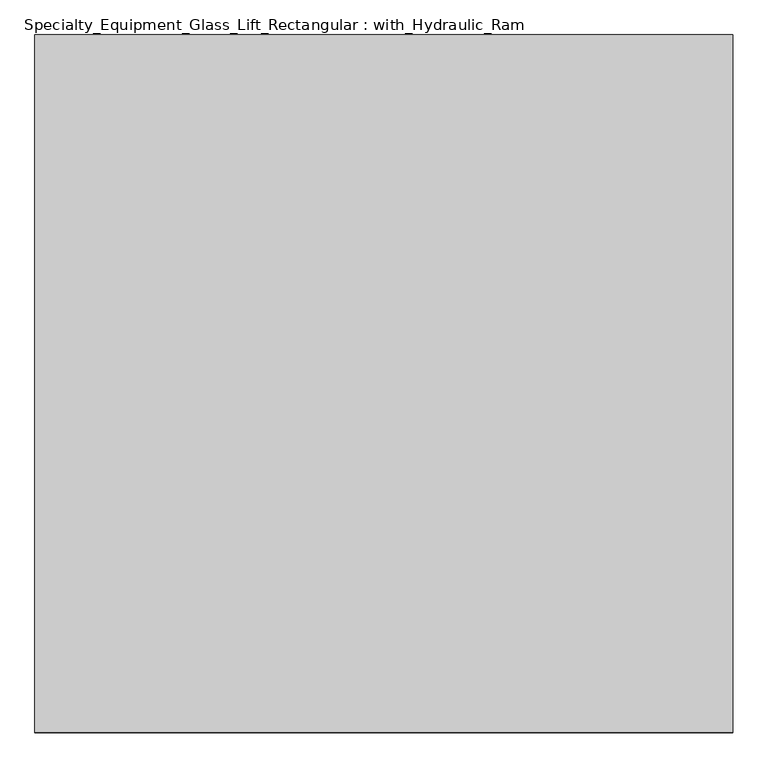
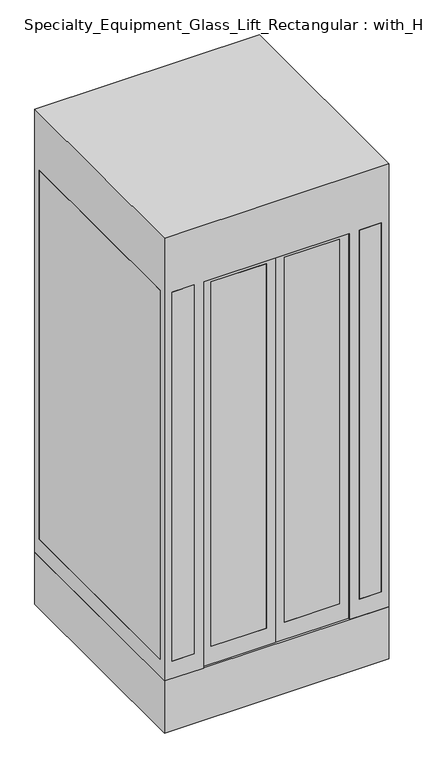
"""IFC4 building model written with IfcOpenShell, lengths in millimetres: proxy geometry, Specialty_Equipment_Glass_Lift_Rectangular : with_Hydraulic_Ram."""

from ifc_helpers import new_model, si_unit, frame, origin, place, context, project, spatial, polyline, outline, extrude, faceted_brep, source, transform, mapped, element, save


def specialty_equipment_glass_lift_rectangular_with_hydraulic_68655c2c(model_context):
    return source(origin(), model_context, "Body", "SolidModel", [
        extrude(outline(polyline([(-15.5141464, -548.0746872), (-315.5141464, -548.0746872), (-315.5141464, -536.0746872), (-15.5141464, -536.0746872), (-15.5141464, -548.0746872)])), frame((0.0, 0.0, 100.0), z_axis=(0.0, 0.0, 1.0), x_axis=(1.0, 0.0, 0.0)), (0.0, 0.0, 1.0), 2100.0),
        extrude(outline(polyline([(384.4858536, -548.0746872), (84.4858536, -548.0746872), (84.4858536, -536.0746872), (384.4858536, -536.0746872), (384.4858536, -548.0746872)])), frame((0.0, 0.0, 100.0), z_axis=(0.0, 0.0, 1.0), x_axis=(1.0, 0.0, 0.0)), (0.0, 0.0, 1.0), 2100.0),
        extrude(outline(polyline([(2300.0, 33.4858536), (2300.0, -365.5141464), (0.0, -365.5141464), (0.0, 33.4858536), (2300.0, 33.4858536)]), holes=[polyline([(2200.0, -15.5141464), (100.0, -15.5141464), (100.0, -315.5141464), (2200.0, -315.5141464), (2200.0, -15.5141464)])]), frame((0.0, -548.0746872, 0.0), z_axis=(0.0, 1.0, 0.0), x_axis=(0.0, 0.0, 1.0)), (0.0, 0.0, 1.0), 12.0),
        extrude(outline(polyline([(0.0, 35.4858536), (0.0, 434.4858536), (2300.0, 434.4858536), (2300.0, 35.4858536), (0.0, 35.4858536)]), holes=[polyline([(2200.0, 384.4858536), (100.0, 384.4858536), (100.0, 84.4858536), (2200.0, 84.4858536), (2200.0, 384.4858536)])]), frame((0.0, -548.0746872, 0.0), z_axis=(0.0, 1.0, 0.0), x_axis=(0.0, 0.0, 1.0)), (0.0, 0.0, 1.0), 12.0),
        extrude(outline(polyline([(-415.5141464, -560.0746872), (-535.5141464, -560.0746872), (-535.5141464, -548.0746872), (-415.5141464, -548.0746872), (-415.5141464, -560.0746872)])), frame((0.0, 0.0, 100.0), z_axis=(0.0, 0.0, 1.0), x_axis=(1.0, 0.0, 0.0)), (0.0, 0.0, 1.0), 2125.0),
        extrude(outline(polyline([(604.4858536, -560.0746872), (484.4858536, -560.0746872), (484.4858536, -548.0746872), (604.4858536, -548.0746872), (604.4858536, -560.0746872)])), frame((0.0, 0.0, 100.0), z_axis=(0.0, 0.0, 1.0), x_axis=(1.0, 0.0, 0.0)), (0.0, 0.0, 1.0), 2125.0),
        extrude(outline(polyline([(-565.5141464, -518.0746872), (-577.5141464, -518.0746872), (-577.5141464, 621.9253128), (-565.5141464, 621.9253128), (-565.5141464, -518.0746872)])), frame((0.0, 0.0, 100.0), z_axis=(0.0, 0.0, 1.0), x_axis=(1.0, 0.0, 0.0)), (0.0, 0.0, 1.0), 2125.0),
        extrude(outline(polyline([(604.4858536, 663.9253128), (604.4858536, 651.9253128), (-535.5141464, 651.9253128), (-535.5141464, 663.9253128), (604.4858536, 663.9253128)])), frame((0.0, 0.0, 100.0), z_axis=(0.0, 0.0, 1.0), x_axis=(1.0, 0.0, 0.0)), (0.0, 0.0, 1.0), 2125.0),
        extrude(outline(polyline([(634.4858536, -518.0746872), (634.4858536, 621.9253128), (646.4858536, 621.9253128), (646.4858536, -518.0746872), (634.4858536, -518.0746872)])), frame((0.0, 0.0, 100.0), z_axis=(0.0, 0.0, 1.0), x_axis=(1.0, 0.0, 0.0)), (0.0, 0.0, 1.0), 2125.0),
        faceted_brep([(634.4858536, 621.9253128, 100.0), (634.4858536, -518.0746872, 100.0), (646.4858536, -518.0746872, 100.0), (646.4858536, 621.9253128, 100.0), (-565.5141464, -518.0746872, 100.0), (-565.5141464, 621.9253128, 100.0), (-577.5141464, 621.9253128, 100.0), (-577.5141464, -518.0746872, 100.0), (-535.5141464, 651.9253128, 100.0), (604.4858536, 651.9253128, 100.0), (604.4858536, 663.9253128, 100.0), (-535.5141464, 663.9253128, 100.0), (604.4858536, -560.0746872, 100.0), (604.4858536, -548.0746872, 100.0), (484.4858536, -548.0746872, 100.0), (484.4858536, -560.0746872, 100.0), (-535.5141464, -548.0746872, 100.0), (-535.5141464, -560.0746872, 100.0), (-415.5141464, -560.0746872, 100.0), (-415.5141464, -548.0746872, 100.0), (434.4858536, -560.0746872, 0.0), (434.4858536, -548.0746872, 0.0), (634.4858536, -548.0746872, 0.0), (634.4858536, 651.9253128, 0.0), (-565.5141464, 651.9253128, 0.0), (-565.5141464, -548.0746872, 0.0), (-365.5141464, -548.0746872, 0.0), (-365.5141464, -560.0746872, 0.0), (-577.5141464, -560.0746872, 0.0), (-577.5141464, 663.9253128, 0.0), (646.4858536, 663.9253128, 0.0), (646.4858536, -560.0746872, 0.0), (634.4858536, 651.9253128, 2300.0), (634.4858536, -548.0746872, 2300.0), (634.4858536, 621.9253128, 2225.0), (634.4858536, -518.0746872, 2225.0), (646.4858536, 663.9253128, 2550.0), (646.4858536, -560.0746872, 2550.0), (646.4858536, -518.0746872, 2225.0), (646.4858536, 621.9253128, 2225.0), (434.4858536, -560.0746872, 2225.0), (434.4858536, -548.0746872, 2225.0), (-577.5141464, -560.0746872, 2550.0), (-365.5141464, -560.0746872, 2225.0), (-535.5141464, -560.0746872, 2225.0), (-415.5141464, -560.0746872, 2225.0), (604.4858536, -560.0746872, 2225.0), (484.4858536, -560.0746872, 2225.0), (-365.5141464, -548.0746872, 2225.0), (-565.5141464, -548.0746872, 2300.0), (-535.5141464, -548.0746872, 2225.0), (-415.5141464, -548.0746872, 2225.0), (604.4858536, -548.0746872, 2225.0), (484.4858536, -548.0746872, 2225.0), (-565.5141464, 651.9253128, 2300.0), (-565.5141464, -518.0746872, 2225.0), (-565.5141464, 621.9253128, 2225.0), (-577.5141464, 663.9253128, 2550.0), (-577.5141464, 621.9253128, 2225.0), (-577.5141464, -518.0746872, 2225.0), (-535.5141464, 651.9253128, 2225.0), (604.4858536, 651.9253128, 2225.0), (604.4858536, 663.9253128, 2225.0), (-535.5141464, 663.9253128, 2225.0)], [[[0, 1, 2, 3]], [[4, 5, 6, 7]], [[8, 9, 10, 11]], [[12, 13, 14, 15]], [[16, 17, 18, 19]], [[20, 21, 22, 23, 24, 25, 26, 27, 28, 29, 30, 31]], [[32, 23, 22, 33], [1, 0, 34, 35]], [[36, 37, 31, 30], [3, 2, 38, 39]], [[21, 20, 40, 41]], [[31, 37, 42, 28, 27, 43, 40, 20], [17, 44, 45, 18], [46, 12, 15, 47]], [[33, 22, 21, 41, 48, 26, 25, 49], [50, 16, 19, 51], [13, 52, 53, 14]], [[27, 26, 48, 43]], [[24, 54, 49, 25], [5, 4, 55, 56]], [[29, 28, 42, 57], [7, 6, 58, 59]], [[23, 32, 54, 24], [9, 8, 60, 61]], [[36, 30, 29, 57], [11, 10, 62, 63]], [[0, 3, 39, 34]], [[10, 9, 61, 62]], [[13, 12, 46, 52]], [[2, 1, 35, 38]], [[8, 11, 63, 60]], [[6, 5, 56, 58]], [[4, 7, 59, 55]], [[17, 16, 50, 44]], [[35, 34, 39, 38]], [[48, 41, 40, 43]], [[56, 55, 59, 58]], [[63, 62, 61, 60]], [[52, 46, 47, 53]], [[44, 50, 51, 45]], [[51, 19, 18, 45]], [[14, 53, 47, 15]], [[57, 42, 37, 36]], [[32, 33, 49, 54]]]),
        extrude(outline(polyline([(646.4858536, 663.9253128), (646.4858536, -560.0746872), (-577.5141464, -560.0746872), (-577.5141464, 663.9253128), (646.4858536, 663.9253128)])), frame((0.0, 0.0, -300.0), z_axis=(0.0, 0.0, 1.0), x_axis=(1.0, 0.0, 0.0)), (0.0, 0.0, 1.0), 300.0),
    ])


if __name__ == "__main__":
    model = new_model("IFC4")
    model_context = context("Model", 3, world=origin())
    ifc_project = project(units=[si_unit("LENGTHUNIT", "METRE", prefix="MILLI")], contexts=[model_context])
    site = spatial("IfcSite", under=ifc_project)
    building = spatial("IfcBuilding", under=site)
    placement = place(None, origin())
    specialty_equipment_glass_lift_rectangular_with_hydraulic_shape = specialty_equipment_glass_lift_rectangular_with_hydraulic_68655c2c(model_context)
    element("IfcBuildingElementProxy", 1, Name="Specialty_Equipment_Glass_Lift_Rectangular : with_Hydraulic_Ram", ObjectType="Specialty_Equipment_Glass_Lift_Rectangular : with_Hydraulic_Ram", at=placement, inside=building, context=model_context, shape_type="MappedRepresentation", body=[
        mapped(specialty_equipment_glass_lift_rectangular_with_hydraulic_shape, transform((0.0, 0.0, 0.0), x_axis=(1.0, 0.0, 0.0), y_axis=(0.0, 1.0, 0.0), z_axis=(0.0, 0.0, 1.0))),
    ])
    save(model, "model.ifc")
